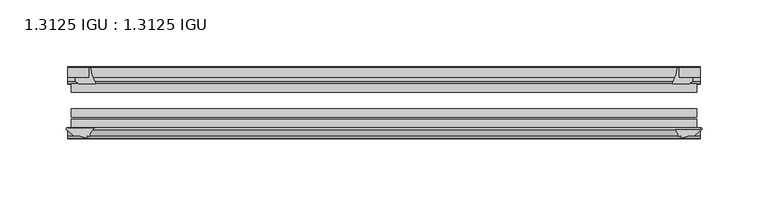
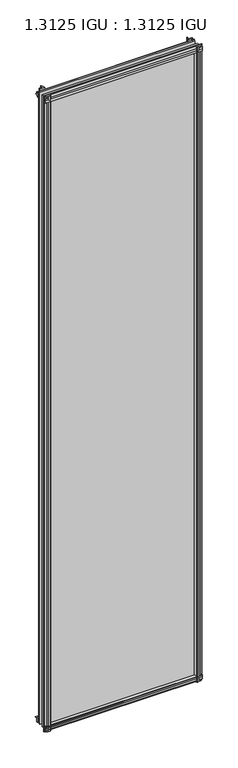
"""IFC4 building model written with IfcOpenShell, lengths in millimetres: plate geometry, 1.3125 IGU : 1.3125 IGU."""

from ifc_helpers import new_model, si_unit, point, frame, frame_2d, origin, place, context, project, spatial, polyline, circle_curve, trimmed, segment, composite_curve, outline, extrude, source, transform, mapped, element, save


def plate_1_3125_igu_1_3125_igu_a5092849(model_context):
    return source(origin(), model_context, "Body", "SweptSolid", [
        extrude(outline(composite_curve([segment(polyline([(-22.094825, 0.0), (-22.094825, -9.916835)]), True, "CONTINUOUS"), segment(trimmed(circle_curve(frame_2d((-23.669625, -9.916835)), 1.5748), [point((-22.094825, -9.916835))], [point((-24.8706146, -10.9354709))], False, "CARTESIAN"), True, "CONTINUOUS"), segment(polyline([(-24.8706146, -10.9354709), (-26.590625, -8.9075484), (-26.590625, 4.0446407)]), True, "CONTINUOUS"), segment(trimmed(circle_curve(frame_2d((-7.1839113, 38.4138813)), 39.4698015), [point((-26.590625, 4.0446407))], [point((-19.4504626, 0.8985917))], True, "CARTESIAN"), True, "CONTINUOUS"), segment(polyline([(-19.4504626, 0.8985917), (-13.3986538, 0.0), (-22.094825, 0.0)]), True, "CONTINUOUS")], self_intersect=False)), frame((-238.7734346, 0.0, 0.0), z_axis=(1.0, 0.0, 0.0), x_axis=(0.0, 1.0, 0.0)), (0.0, 0.0, 1.0), 477.5468692),
        extrude(outline(composite_curve([segment(trimmed(circle_curve(frame_2d((-67.8737919, 9.6311377)), 10.5748618), [point((-66.062225, -0.7874))], [point((-59.712225, 2.9068141))], True, "CARTESIAN"), True, "CONTINUOUS"), segment(polyline([(-59.712225, 2.9068141), (-59.712225, -18.0442511)]), True, "CONTINUOUS"), segment(trimmed(circle_curve(frame_2d((-60.728225, -18.0442511)), 1.016), [point((-59.712225, -18.0442511))], [point((-61.4950672, -18.7107412))], False, "CARTESIAN"), True, "CONTINUOUS"), segment(polyline([(-61.4950672, -18.7107412), (-66.062225, -13.4559149), (-66.062225, -7.4520336), (-67.637025, -1.5748), (-66.062225, -1.5748), (-66.062225, -0.7874)]), True, "CONTINUOUS")], self_intersect=False)), frame((-238.7734346, 0.0, 0.0), z_axis=(1.0, 0.0, 0.0), x_axis=(0.0, 1.0, 0.0)), (0.0, 0.0, 1.0), 477.5468692),
        extrude(outline(composite_curve([segment(polyline([(-66.062225, 2013.6598774), (-61.4950672, 2018.9147037)]), True, "CONTINUOUS"), segment(trimmed(circle_curve(frame_2d((-60.728225, 2018.2482136)), 1.016), [point((-61.4950672, 2018.9147037))], [point((-59.712225, 2018.2482136))], False, "CARTESIAN"), True, "CONTINUOUS"), segment(polyline([(-59.712225, 2018.2482136), (-59.712225, 1997.7230921)]), True, "CONTINUOUS"), segment(trimmed(circle_curve(frame_2d((-66.4211348, 1992.0932283)), 8.7581298), [point((-59.712225, 1997.7230921))], [point((-66.062225, 2000.8440009))], True, "CARTESIAN"), True, "CONTINUOUS"), segment(polyline([(-66.062225, 2000.8440009), (-66.062225, 2001.7787625), (-67.637025, 2001.7787625), (-66.062225, 2007.6559961), (-66.062225, 2013.6598774)]), True, "CONTINUOUS")], self_intersect=False)), frame((-238.7734346, 0.0, 0.0), z_axis=(1.0, 0.0, 0.0), x_axis=(0.0, 1.0, 0.0)), (0.0, 0.0, 1.0), 477.5468692),
        extrude(outline(composite_curve([segment(polyline([(-26.590625, 1996.1593218), (-26.590625, 2009.1115109), (-24.8706146, 2011.1394334)]), True, "CONTINUOUS"), segment(trimmed(circle_curve(frame_2d((-23.669625, 2010.1207975)), 1.5748), [point((-24.8706146, 2011.1394334))], [point((-22.094825, 2010.1207975))], False, "CARTESIAN"), True, "CONTINUOUS"), segment(polyline([(-22.094825, 2010.1207975), (-22.094825, 2000.25), (-14.5883882, 2000.25), (-18.3240316, 1999.4633459)]), True, "CONTINUOUS"), segment(trimmed(circle_curve(frame_2d((-16.4585419, 1986.834903)), 12.7654855), [point((-18.3240316, 1999.4633459))], [point((-20.5939581, 1998.9119869))], True, "CARTESIAN"), True, "CONTINUOUS"), segment(trimmed(circle_curve(frame_2d((-7.1839113, 1961.7900812)), 39.4698015), [point((-20.5939581, 1998.9119869))], [point((-26.590625, 1996.1593218))], True, "CARTESIAN"), True, "CONTINUOUS")], self_intersect=False)), frame((-238.7734346, 0.0, 0.0), z_axis=(1.0, 0.0, 0.0), x_axis=(0.0, 1.0, 0.0)), (0.0, 0.0, 1.0), 477.5468692),
        extrude(outline(composite_curve([segment(polyline([(230.6125068, -26.590625), (217.6603176, -26.590625)]), True, "CONTINUOUS"), segment(trimmed(circle_curve(frame_2d((183.2910771, -7.1839113)), 39.4698015), [point((217.6603176, -26.590625))], [point((220.8063666, -19.4504626))], True, "CARTESIAN"), True, "CONTINUOUS"), segment(polyline([(220.8063666, -19.4504626), (221.4522417, -15.1006424)]), True, "CONTINUOUS"), segment(trimmed(circle_curve(frame_2d((222.2317271, -15.2120036)), 0.7874), [point((221.4522417, -15.1006424))], [point((222.4987083, -14.4712474))], False, "CARTESIAN"), True, "CONTINUOUS"), segment(polyline([(222.4987083, -14.4712474), (222.4987083, -22.094825), (231.6217933, -22.094825)]), True, "CONTINUOUS"), segment(trimmed(circle_curve(frame_2d((231.6217933, -23.669625)), 1.5748), [point((231.6217933, -22.094825))], [point((232.6404292, -24.8706146))], False, "CARTESIAN"), True, "CONTINUOUS"), segment(polyline([(232.6404292, -24.8706146), (230.6125068, -26.590625)]), True, "CONTINUOUS")], self_intersect=False)), frame((0.0, 0.0, -18.2728511), z_axis=(0.0, 0.0, 1.0), x_axis=(1.0, 0.0, 0.0)), (0.0, 0.0, 1.0), 2037.8352548),
        extrude(outline(composite_curve([segment(polyline([(218.3539331, -59.712225), (238.9143599, -59.712225)]), True, "CONTINUOUS"), segment(trimmed(circle_curve(frame_2d((238.9143599, -60.728225)), 1.016), [point((238.9143599, -59.712225))], [point((239.5808499, -61.4950672))], False, "CARTESIAN"), True, "CONTINUOUS"), segment(polyline([(239.5808499, -61.4950672), (234.3260237, -66.062225), (230.3507919, -66.062225), (224.4735583, -67.637025), (224.4735583, -66.062225), (223.3832027, -66.062225)]), True, "CONTINUOUS"), segment(trimmed(circle_curve(frame_2d((223.3832027, -66.849625)), 0.7874), [point((223.3832027, -66.062225))], [point((222.6054969, -66.7264485))], True, "CARTESIAN"), True, "CONTINUOUS"), segment(trimmed(circle_curve(frame_2d((209.5401803, -69.8501675)), 13.4335445), [point((222.6054969, -66.7264485))], [point((218.3539331, -59.712225))], True, "CARTESIAN"), True, "CONTINUOUS")], self_intersect=False)), frame((0.0, 0.0, -18.2728511), z_axis=(0.0, 0.0, 1.0), x_axis=(1.0, 0.0, 0.0)), (0.0, 0.0, 1.0), 2037.8352548),
        extrude(outline(composite_curve([segment(polyline([(-221.4522417, -15.1006424), (-220.9778267, -18.2957187)]), True, "CONTINUOUS"), segment(trimmed(circle_curve(frame_2d((-208.4155535, -16.4304327)), 12.7), [point((-220.9778267, -18.2957187))], [point((-220.4290819, -20.5493081))], True, "CARTESIAN"), True, "CONTINUOUS"), segment(trimmed(circle_curve(frame_2d((-183.2910771, -7.1839113)), 39.4698015), [point((-220.4290819, -20.5493081))], [point((-217.6603176, -26.590625))], True, "CARTESIAN"), True, "CONTINUOUS"), segment(polyline([(-217.6603176, -26.590625), (-230.6125068, -26.590625), (-232.6404292, -24.8706146)]), True, "CONTINUOUS"), segment(trimmed(circle_curve(frame_2d((-231.6217933, -23.669625)), 1.5748), [point((-232.6404292, -24.8706146))], [point((-231.6217933, -22.094825))], False, "CARTESIAN"), True, "CONTINUOUS"), segment(polyline([(-231.6217933, -22.094825), (-222.4669583, -22.094825), (-222.4669583, -14.4605617)]), True, "CONTINUOUS"), segment(trimmed(circle_curve(frame_2d((-222.2317271, -15.2120036)), 0.7874), [point((-222.4669583, -14.4605617))], [point((-221.4522417, -15.1006424))], False, "CARTESIAN"), True, "CONTINUOUS")], self_intersect=False)), frame((0.0, 0.0, -18.2728511), z_axis=(0.0, 0.0, 1.0), x_axis=(1.0, 0.0, 0.0)), (0.0, 0.0, 1.0), 2038.1847648),
        extrude(outline(composite_curve([segment(trimmed(circle_curve(frame_2d((-209.5401803, -69.8501675)), 13.4335445), [point((-218.3539331, -59.712225))], [point((-222.6054969, -66.7264485))], True, "CARTESIAN"), True, "CONTINUOUS"), segment(trimmed(circle_curve(frame_2d((-223.3832027, -66.849625)), 0.7874), [point((-222.6054969, -66.7264485))], [point((-223.3832027, -66.062225))], True, "CARTESIAN"), True, "CONTINUOUS"), segment(polyline([(-223.3832027, -66.062225), (-224.4735583, -66.062225), (-224.4735583, -67.637025), (-230.3507919, -66.062225), (-234.3260237, -66.062225), (-239.5808499, -61.4950672)]), True, "CONTINUOUS"), segment(trimmed(circle_curve(frame_2d((-238.9143599, -60.728225)), 1.016), [point((-239.5808499, -61.4950672))], [point((-238.9143599, -59.712225))], False, "CARTESIAN"), True, "CONTINUOUS"), segment(polyline([(-238.9143599, -59.712225), (-218.3539331, -59.712225)]), True, "CONTINUOUS")], self_intersect=False)), frame((0.0, 0.0, -18.2728511), z_axis=(0.0, 0.0, 1.0), x_axis=(1.0, 0.0, 0.0)), (0.0, 0.0, 1.0), 2038.1847648),
        extrude(outline(polyline([(-235.9924583, -26.590625), (235.9924583, -26.590625), (235.9924583, -32.889825), (-235.9924583, -32.889825), (-235.9924583, -26.590625)])), frame((0.0, 0.0, -12.8524), z_axis=(0.0, 0.0, 1.0), x_axis=(1.0, 0.0, 0.0)), (0.0, 0.0, 1.0), 2027.3438625),
        extrude(outline(polyline([(235.9924583, -45.589825), (235.9924583, -51.889025), (-235.9924583, -51.889025), (-235.9924583, -45.589825), (235.9924583, -45.589825)])), frame((0.0, 0.0, -12.8524), z_axis=(0.0, 0.0, 1.0), x_axis=(1.0, 0.0, 0.0)), (0.0, 0.0, 1.0), 2027.3438625),
        extrude(outline(polyline([(235.9924583, -53.413025), (235.9924583, -59.712225), (-235.9924583, -59.712225), (-235.9924583, -53.413025), (235.9924583, -53.413025)])), frame((0.0, 0.0, -12.8524), z_axis=(0.0, 0.0, 1.0), x_axis=(1.0, 0.0, 0.0)), (0.0, 0.0, 1.0), 2027.3438625),
    ])


if __name__ == "__main__":
    model = new_model("IFC4")
    model_context = context("Model", 3, world=origin())
    ifc_project = project(units=[si_unit("LENGTHUNIT", "METRE", prefix="MILLI")], contexts=[model_context])
    site = spatial("IfcSite", under=ifc_project)
    building = spatial("IfcBuilding", under=site)
    placement = place(None, origin())
    plate_1_3125_igu_1_3125_igu_shape = plate_1_3125_igu_1_3125_igu_a5092849(model_context)
    element("IfcPlate", 1, ObjectType="1.3125 IGU : 1.3125 IGU", at=placement, inside=building, context=model_context, shape_type="MappedRepresentation", body=[
        mapped(plate_1_3125_igu_1_3125_igu_shape, transform((0.0, 0.0, 0.0), x_axis=(1.0, 0.0, 0.0), y_axis=(0.0, 1.0, 0.0), z_axis=(0.0, 0.0, 1.0))),
    ])
    save(model, "model.ifc")
